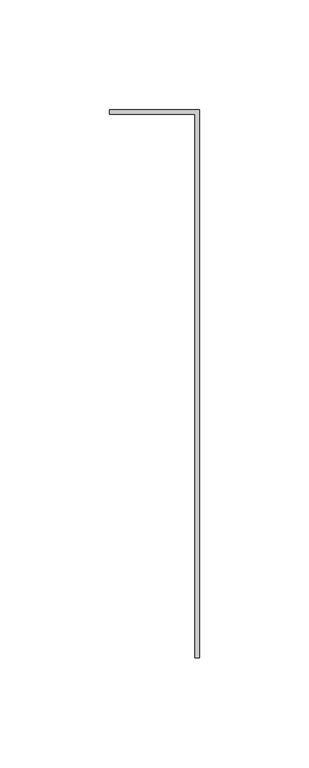
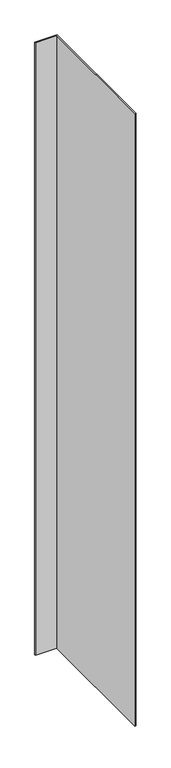
"""IFC4 building model written with IfcOpenShell, lengths in millimetres: member geometry."""

from ifc_helpers import new_model, si_unit, frame, origin, place, context, project, spatial, polyline, outline, extrude, source, transform, mapped, element, save


def member_58ed41c2(model_context):
    return source(origin(), model_context, "Body", "SweptSolid", [
        extrude(outline(polyline([(-2.0108815, 0.0), (-2.0108815, 248.0), (-41.0, 248.0), (-41.0, 250.0), (0.0, 250.0), (0.0, 0.0), (-2.0108815, 0.0)])), frame((0.0, 0.0, -1184.5835322), z_axis=(0.0, 0.0, 1.0), x_axis=(1.0, 0.0, 0.0)), (0.0, 0.0, 1.0), 1184.5835322),
    ])


if __name__ == "__main__":
    model = new_model("IFC4")
    model_context = context("Model", 3, world=origin())
    ifc_project = project(units=[si_unit("LENGTHUNIT", "METRE", prefix="MILLI")], contexts=[model_context])
    site = spatial("IfcSite", under=ifc_project)
    building = spatial("IfcBuilding", under=site)
    placement = place(None, origin())
    member_shape = member_58ed41c2(model_context)
    element("IfcMember", 1, at=placement, inside=building, context=model_context, shape_type="MappedRepresentation", body=[
        mapped(member_shape, transform((0.0, 0.0, 0.0), x_axis=(1.0, 0.0, 0.0), y_axis=(0.0, 1.0, 0.0), z_axis=(0.0, 0.0, 1.0))),
    ])
    save(model, "model.ifc")
